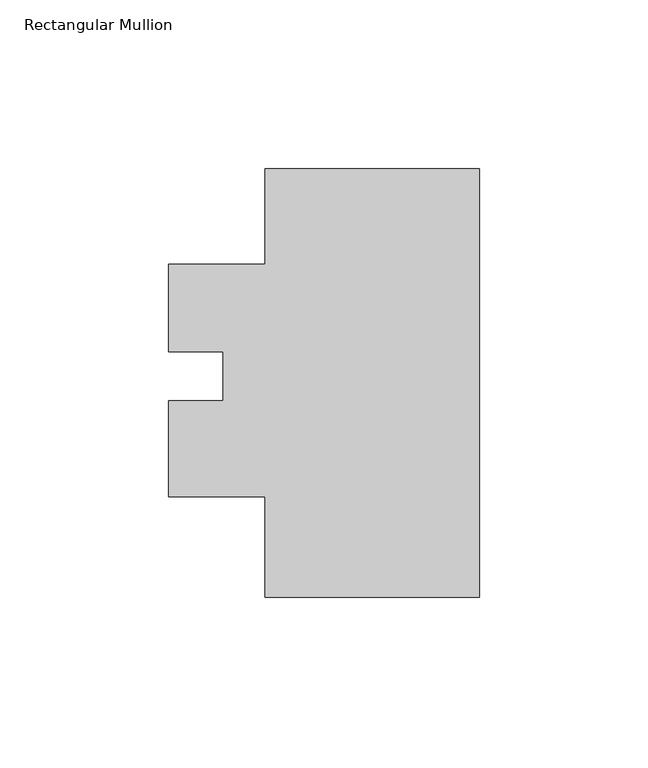
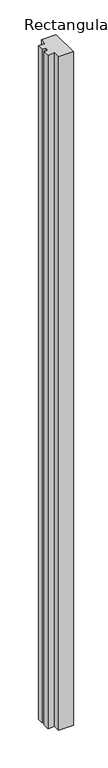
"""IFC4 building model written with IfcOpenShell, lengths in millimetres: member geometry, Rectangular Mullion."""

from ifc_helpers import new_model, si_unit, frame, origin, place, context, project, spatial, polyline, outline, extrude, source, transform, mapped, element, save


def rectangular_mullion_81b1be8d(model_context):
    return source(origin(), model_context, "Body", "SweptSolid", [
        extrude(outline(polyline([(-63.5, -63.7592015), (-63.5, -33.8888015), (-92.0744745, -33.8888015), (-92.0744745, -5.5175169), (-75.9158069, -5.5175169), (-75.9158069, 9.0244985), (-92.0744745, 9.0244985), (-92.0744745, 34.9541586), (-63.5, 34.9541586), (-63.5, 63.2407985), (0.0, 63.2407985), (0.0, -63.7592015), (-63.5, -63.7592015)])), frame((0.0, 0.0, -3048.0), z_axis=(0.0, 0.0, 1.0), x_axis=(1.0, 0.0, 0.0)), (0.0, 0.0, 1.0), 3048.0),
    ])


if __name__ == "__main__":
    model = new_model("IFC4")
    model_context = context("Model", 3, world=origin())
    ifc_project = project(units=[si_unit("LENGTHUNIT", "METRE", prefix="MILLI")], contexts=[model_context])
    site = spatial("IfcSite", under=ifc_project)
    building = spatial("IfcBuilding", under=site)
    placement = place(None, origin())
    rectangular_mullion_shape = rectangular_mullion_81b1be8d(model_context)
    element("IfcMember", 1, ObjectType="Rectangular Mullion", at=placement, inside=building, context=model_context, shape_type="MappedRepresentation", body=[
        mapped(rectangular_mullion_shape, transform((0.0, 0.0, 0.0), x_axis=(1.0, 0.0, 0.0), y_axis=(0.0, 1.0, 0.0), z_axis=(0.0, 0.0, 1.0))),
    ])
    save(model, "model.ifc")
